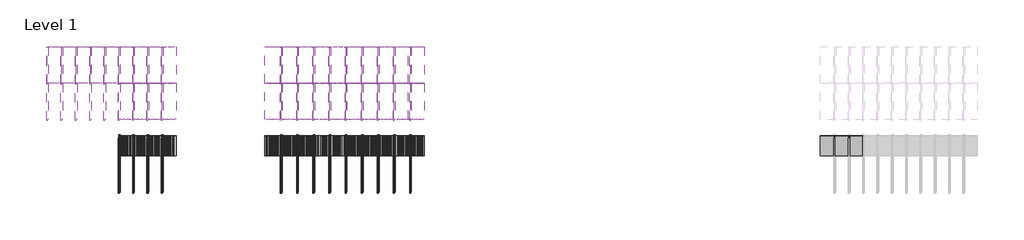
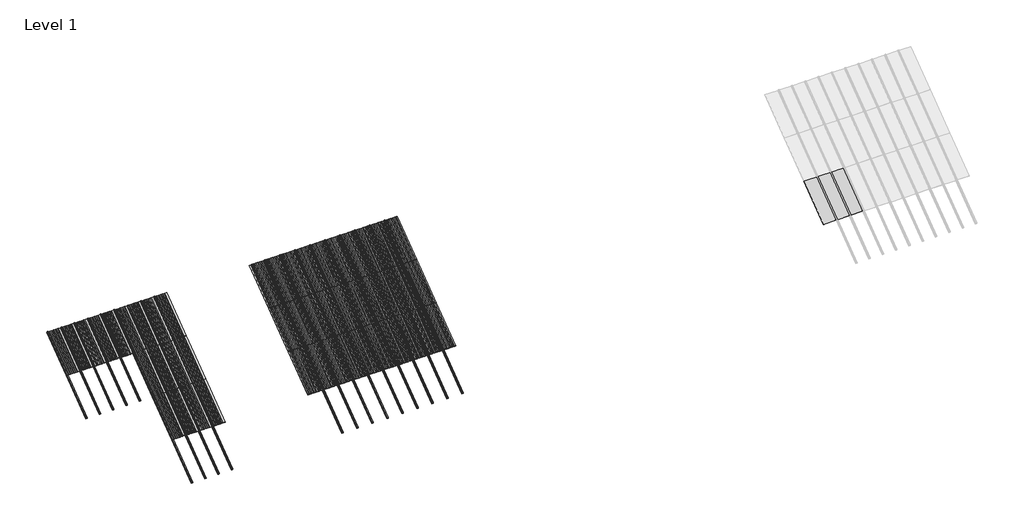
# One storey, part 9 of 12: 62 members, 50 plates.
"""IFC4 building model written with IfcOpenShell, lengths in millimetres."""

import ifcopenshell
import ifcopenshell.guid

model = None  # the IFC model being written
_history = None  # IfcOwnerHistory: only IFC2X3 demands one
_inside = {}  # id of a spatial element -> (the spatial element, [elements in it])
_under = {}  # id of a project, library or spatial element -> (it, [spatial elements below it])
_declared = {}  # id of a project -> (the project, [libraries it declares])
_typed = {}  # id of a type object -> (the type object, [elements of that type])
_made_of = {}  # id of a material, layer set ... -> (it, [elements and type objects made of it])


def new_model(schema):
    """Start an empty IFC model of exactly this schema.

    Asked for "IFC4X3", IfcOpenShell would pick the latest addendum, in which some entities
    have other attributes; the version numbers below select the first issue.
    IFC2X3 requires an IfcOwnerHistory on every rooted entity: one is made here for all.
    """
    global model, _history
    if schema == "IFC4X3":
        model = ifcopenshell.file(schema_version=(4, 3, 0, 0))
    else:
        model = ifcopenshell.file(schema=schema)
    _inside.clear()
    _under.clear()
    _declared.clear()
    _typed.clear()
    _made_of.clear()
    _history = None
    if model.schema == "IFC2X3":
        org = make("IfcOrganization", Name="unknown")
        user = make(
            "IfcPersonAndOrganization",
            ThePerson=make("IfcPerson", FamilyName="unknown"),
            TheOrganization=org,
        )
        app = make(
            "IfcApplication",
            ApplicationDeveloper=org,
            Version="unknown",
            ApplicationFullName="unknown",
            ApplicationIdentifier="unknown",
        )
        _history = make(
            "IfcOwnerHistory",
            OwningUser=user,
            OwningApplication=app,
            ChangeAction="ADDED",
            CreationDate=0,
        )
    return model


def make(cls, **values):
    """One entity of the class cls with the attributes given. An attribute that is None is left unset."""
    return model.create_entity(
        cls, **{name: value for name, value in values.items() if value is not None}
    )


def rooted(cls, **values):
    """An entity with a GlobalId (a new one), such as an element, a storey or a relation."""
    return make(cls, GlobalId=ifcopenshell.guid.new(), OwnerHistory=_history, **values)


def si_unit(unit_type, name, prefix=None):
    """IfcSIUnit, for example si_unit("LENGTHUNIT", "METRE", prefix="MILLI")."""
    return make("IfcSIUnit", UnitType=unit_type, Prefix=prefix, Name=name)


def assignment(units):
    """IfcUnitAssignment: the units of a project."""
    return None if units is None else make("IfcUnitAssignment", Units=units)


def point(xyz):
    """IfcCartesianPoint."""
    return None if xyz is None else make("IfcCartesianPoint", Coordinates=xyz)


def direction(xyz):
    """IfcDirection."""
    return None if xyz is None else make("IfcDirection", DirectionRatios=xyz)


def frame(location, z_axis=None, x_axis=None):
    """IfcAxis2Placement3D, a coordinate frame: its origin and axes. An axis left out is left unset."""
    return make(
        "IfcAxis2Placement3D",
        Location=point(location),
        Axis=direction(z_axis),
        RefDirection=direction(x_axis),
    )


def frame_2d(location, x_axis=None):
    """IfcAxis2Placement2D, a coordinate frame in the plane: its origin and x axis."""
    return make(
        "IfcAxis2Placement2D", Location=point(location), RefDirection=direction(x_axis)
    )


def origin():
    """The frame at (0, 0, 0) with its axes left unset."""
    return frame((0.0, 0.0, 0.0))


def origin_with_axes():
    """The frame at (0, 0, 0) with the z axis (0, 0, 1) and the x axis (1, 0, 0) written out."""
    return frame((0.0, 0.0, 0.0), z_axis=(0.0, 0.0, 1.0), x_axis=(1.0, 0.0, 0.0))


def place(relative_to, where):
    """IfcLocalPlacement: puts the frame where relative to a parent placement (None: the world)."""
    return make(
        "IfcLocalPlacement", PlacementRelTo=relative_to, RelativePlacement=where
    )


def context(
    kind, dimensions, precision=None, world=None, true_north=None, identifier=None
):
    """IfcGeometricRepresentationContext, for example the 3D "Model" context."""
    return make(
        "IfcGeometricRepresentationContext",
        ContextIdentifier=identifier,
        ContextType=kind,
        CoordinateSpaceDimension=dimensions,
        Precision=precision,
        WorldCoordinateSystem=world,
        TrueNorth=true_north,
    )


def project(units=None, contexts=None):
    """IfcProject with its units and contexts."""
    return rooted(
        "IfcProject",
        Name="project",
        RepresentationContexts=contexts,
        UnitsInContext=assignment(units),
    )


def spatial(cls, under=None, at=None, **own):
    """A site, building, storey or space (cls), placed at a placement, below another one or the project."""
    s = rooted(cls, ObjectPlacement=at, **own)
    if under is not None:
        _under.setdefault(under.id(), (under, []))[1].append(s)
    return s


def polyline(points):
    """IfcPolyline through the points."""
    return make("IfcPolyline", Points=[point(p) for p in points])


def circle_curve(where, radius):
    """IfcCircle in the frame where."""
    return make("IfcCircle", Position=where, Radius=radius)


def trimmed(basis, trim1, trim2, sense, master):
    """IfcTrimmedCurve: the piece of a basis curve between two trims."""
    return make(
        "IfcTrimmedCurve",
        BasisCurve=basis,
        Trim1=trim1,
        Trim2=trim2,
        SenseAgreement=sense,
        MasterRepresentation=master,
    )


def segment(curve, same_sense, transition):
    """IfcCompositeCurveSegment."""
    return make(
        "IfcCompositeCurveSegment",
        Transition=transition,
        SameSense=same_sense,
        ParentCurve=curve,
    )


def composite_curve(segments, self_intersect=None):
    """IfcCompositeCurve: segments joined end to end."""
    return make("IfcCompositeCurve", Segments=segments, SelfIntersect=self_intersect)


def outline(outer, holes=None, kind="AREA"):
    """IfcArbitraryClosedProfileDef: a profile drawn as a closed curve; with holes, ...WithVoids."""
    if holes is None:
        return make("IfcArbitraryClosedProfileDef", ProfileType=kind, OuterCurve=outer)
    return make(
        "IfcArbitraryProfileDefWithVoids",
        ProfileType=kind,
        OuterCurve=outer,
        InnerCurves=holes,
    )


def extrude(swept, where, along, depth):
    """IfcExtrudedAreaSolid: the profile swept, set in the frame where, extruded along a direction by depth."""
    return make(
        "IfcExtrudedAreaSolid",
        SweptArea=swept,
        Position=where,
        ExtrudedDirection=direction(along),
        Depth=depth,
    )


def shape(context_of_items, identifier, shape_type, items):
    """IfcShapeRepresentation: the items that make up one representation, for example the "Body"."""
    return make(
        "IfcShapeRepresentation",
        ContextOfItems=context_of_items,
        RepresentationIdentifier=identifier,
        RepresentationType=shape_type,
        Items=items,
    )


def source(mapping_origin, context_of_items, identifier, shape_type, items):
    """IfcRepresentationMap: a shape defined once, which mapped items show again and again."""
    return make(
        "IfcRepresentationMap",
        MappingOrigin=mapping_origin,
        MappedRepresentation=shape(context_of_items, identifier, shape_type, items),
    )


def transform(
    local_origin,
    x_axis=None,
    y_axis=None,
    z_axis=None,
    scale=None,
    scale2=None,
    scale3=None,
    uniform=True,
):
    """IfcCartesianTransformationOperator3D, or its non-uniform kind. x_axis, y_axis, z_axis: its Axis1, 2, 3."""
    if uniform:
        return make(
            "IfcCartesianTransformationOperator3D",
            Axis1=direction(x_axis),
            Axis2=direction(y_axis),
            LocalOrigin=point(local_origin),
            Scale=scale,
            Axis3=direction(z_axis),
        )
    return make(
        "IfcCartesianTransformationOperator3DnonUniform",
        Axis1=direction(x_axis),
        Axis2=direction(y_axis),
        LocalOrigin=point(local_origin),
        Scale=scale,
        Axis3=direction(z_axis),
        Scale2=scale2,
        Scale3=scale3,
    )


def mapped(mapping_source, mapping_target):
    """IfcMappedItem: shows the shape of a source again, moved by a transform."""
    return make(
        "IfcMappedItem", MappingSource=mapping_source, MappingTarget=mapping_target
    )


def made_of(thing, what):
    """Note that an element or type object is made of a material, layer set ...; save() writes the relation."""
    if what is not None:
        _made_of.setdefault(what.id(), (what, []))[1].append(thing)
    return thing


def element(
    cls,
    number,
    at=None,
    inside=None,
    cuts=None,
    type_object=None,
    material=None,
    context=None,
    identifier="Body",
    shape_type=None,
    held_by="IfcProductDefinitionShape",
    body=None,
    shapes=None,
    **own,
):
    """One element of the class cls, such as IfcWall. Its Tag is "e" and its number.

    at: its placement. inside: the storey or other place that contains it. cuts: it is an
    opening in that element (IfcRelVoidsElement). A single representation is given by context,
    identifier, shape_type and body (its items); several are given by shapes. held_by: the class
    of the entity that holds the representations. save() writes the other relations.
    """
    e = rooted(cls, Tag="e%d" % number, ObjectPlacement=at, **own)
    if body is not None:
        shapes = [shape(context, identifier, shape_type, body)]
    if shapes is not None:
        e.Representation = make(held_by, Representations=shapes)
    if inside is not None:
        _inside.setdefault(inside.id(), (inside, []))[1].append(e)
    if cuts is not None:
        rooted(
            "IfcRelVoidsElement", RelatingBuildingElement=cuts, RelatedOpeningElement=e
        )
    if type_object is not None:
        _typed.setdefault(type_object.id(), (type_object, []))[1].append(e)
    return made_of(e, material)


def aggregate(whole, parts):
    """IfcRelAggregates: a whole, such as a stair, and the parts it consists of."""
    return rooted("IfcRelAggregates", RelatingObject=whole, RelatedObjects=parts)


def save(model, path):
    """Write the relations noted so far, then the file.

    IfcRelAggregates (storeys below a building ...), IfcRelContainedInSpatialStructure (elements
    in a storey), IfcRelDefinesByType, IfcRelAssociatesMaterial and IfcRelDeclares: one each for
    every whole, place, type object, material and project.
    """
    for whole, parts in _under.values():
        aggregate(whole, parts)
    for where, things in _inside.values():
        rooted(
            "IfcRelContainedInSpatialStructure",
            RelatedElements=things,
            RelatingStructure=where,
        )
    for kind, things in _typed.values():
        rooted("IfcRelDefinesByType", RelatedObjects=things, RelatingType=kind)
    for what, things in _made_of.values():
        rooted("IfcRelAssociatesMaterial", RelatedObjects=things, RelatingMaterial=what)
    for by, libraries in _declared.values():
        rooted("IfcRelDeclares", RelatingContext=by, RelatedDefinitions=libraries)
    model.write(path)


def rectangular_mullion_c5ffca4b(model_context):
    return source(origin(), model_context, "Body", "SweptSolid", [
        extrude(outline(composite_curve([segment(polyline([(10.16, -50.8), (-10.16, -50.8)]), True, "CONTINUOUS"), segment(trimmed(circle_curve(frame_2d((-10.16, -45.72)), 5.08), [point((-10.16, -50.8))], [point((-15.2363394, -45.9128168))], False, "CARTESIAN"), True, "CONTINUOUS"), segment(trimmed(circle_curve(frame_2d((-10.16, -45.72)), 5.08), [point((-15.2363394, -45.9128168))], [point((-10.16, -40.64))], False, "CARTESIAN"), True, "CONTINUOUS"), segment(polyline([(-10.16, -40.64), (-5.08, -40.64), (-5.08, 10.922)]), True, "CONTINUOUS"), segment(trimmed(circle_curve(frame_2d((0.0, 10.922)), 5.08), [point((-5.08, 10.922))], [point((0.0, 16.002))], False, "CARTESIAN"), True, "CONTINUOUS"), segment(polyline([(0.0, 16.002), (33.02, 16.002)]), True, "CONTINUOUS"), segment(trimmed(circle_curve(frame_2d((33.02, 10.922)), 5.08), [point((33.02, 16.002))], [point((38.1, 10.922))], False, "CARTESIAN"), True, "CONTINUOUS"), segment(polyline([(38.1, 10.922), (38.1, 6.096)]), True, "CONTINUOUS"), segment(trimmed(circle_curve(frame_2d((33.02, 6.096)), 5.08), [point((38.1, 6.096))], [point((33.02, 1.016))], False, "CARTESIAN"), True, "CONTINUOUS"), segment(polyline([(33.02, 1.016), (5.08, 1.016), (5.08, -40.64), (10.16, -40.64)]), True, "CONTINUOUS"), segment(trimmed(circle_curve(frame_2d((10.16, -45.72)), 5.08), [point((10.16, -40.64))], [point((15.2293868, -45.3917964))], False, "CARTESIAN"), True, "CONTINUOUS"), segment(trimmed(circle_curve(frame_2d((10.16, -45.72)), 5.08), [point((15.2293868, -45.3917964))], [point((10.16, -50.8))], False, "CARTESIAN"), True, "CONTINUOUS")], self_intersect=False)), frame((0.0, 0.0, -1285.875), z_axis=(0.0, 0.0, 1.0), x_axis=(1.0, 0.0, 0.0)), (0.0, 0.0, 1.0), 1285.875),
    ])


def plate_0_032_aluminium_893c7c46(model_context):
    return source(origin(), model_context, "Body", "SweptSolid", [
        extrude(outline(polyline([(14.706393, 0.0), (-14.706393, 0.0), (-37.203173, -3.54838), (-66.870787, -3.54838), (-89.367567, 0.0), (-118.780353, 0.0), (-141.277133, -3.54838), (-170.944747, -3.54838), (-193.441527, 0.0), (-228.6, 0.0), (-228.6, 0.8128), (-193.37782, 0.8128), (-170.88104, -2.73558), (-141.34084, -2.73558), (-118.84406, 0.8128), (-89.30386, 0.8128), (-66.80708, -2.73558), (-37.26688, -2.73558), (-14.7701, 0.8128), (14.7701, 0.8128), (37.26688, -2.73558), (66.80708, -2.73558), (89.30386, 0.8128), (118.84406, 0.8128), (141.34084, -2.73558), (170.88104, -2.73558), (193.37782, 0.8128), (228.6, 0.8128), (228.6, 0.0), (193.441527, 0.0), (170.944747, -3.54838), (141.277133, -3.54838), (118.780353, 0.0), (89.367567, 0.0), (66.870787, -3.54838), (37.203173, -3.54838), (14.706393, 0.0)])), origin_with_axes(), (0.0, 0.0, 1.0), 1285.875),
    ])


def plate_0_032_aluminium_cbe3b930(model_context):
    return source(origin(), model_context, "Body", "SweptSolid", [
        extrude(outline(polyline([(-142.9284294, 0.8128), (-120.4316494, -2.73558), (-90.8914494, -2.73558), (-68.3946694, 0.8128), (-38.8544694, 0.8128), (-14.7701, -2.73558), (14.7701, -2.73558), (37.26688, 0.8128), (66.80708, 0.8128), (89.30386, -2.73558), (118.84406, -2.73558), (141.34084, 0.8128), (203.2, 0.8128), (203.2, 0.0), (141.404547, 0.0), (118.907767, -3.54838), (89.240153, -3.54838), (66.743373, 0.0), (37.330587, 0.0), (14.833807, -3.54838), (-14.833807, -3.54838), (-38.9181764, 0.0), (-68.3309624, 0.0), (-90.8277424, -3.54838), (-120.4953564, -3.54838), (-142.9921364, 0.0), (-203.2, 0.0), (-203.2, 0.8128), (-142.9284294, 0.8128)])), origin_with_axes(), (0.0, 0.0, 1.0), 1285.875),
    ])


def system_panel_94d5719f(model_context):
    return source(origin(), model_context, "Body", "SweptSolid", [
        extrude(outline(polyline([(198.1200002, -0.2480469), (-198.1200002, -0.2480469), (-198.1200002, 0.2480469), (198.1200002, 0.2480469), (198.1200002, -0.2480469)])), origin_with_axes(), (0.0, 0.0, 1.0), 1285.875),
    ])


model = new_model("IFC4")

# Units and contexts
model_context = context("Model", 3, world=origin())
ifc_project = project(units=[si_unit("LENGTHUNIT", "METRE", prefix="MILLI")], contexts=[model_context])

# Site, building, storey
site = spatial("IfcSite", under=ifc_project)
building = spatial("IfcBuilding", under=site)
storey = spatial("IfcBuildingStorey", under=building, Name="Level 1", Elevation=0.0)

# Members
placement = place(None, origin())
rectangular_mullion_shape = rectangular_mullion_c5ffca4b(model_context)
element("IfcMember", 1, ObjectType="Rectangular Mullion", at=placement, inside=storey, context=model_context, shape_type="MappedRepresentation", body=[
    mapped(rectangular_mullion_shape, transform((86014.0433491, 35842.6579249, 3086.1), x_axis=(1.0, 0.0, 0.0), y_axis=(0.0, 0.6000000000000016, -0.7999999999999988), z_axis=(0.0, 0.7999999999999988, 0.6000000000000016))),
])
element("IfcMember", 2, ObjectType="Rectangular Mullion", at=placement, inside=storey, context=model_context, shape_type="MappedRepresentation", body=[
    mapped(rectangular_mullion_shape, transform((86420.4433491, 35842.6579249, 3086.1), x_axis=(1.0, 0.0, 0.0), y_axis=(0.0, 0.6000000000000016, -0.7999999999999988), z_axis=(0.0, 0.7999999999999988, 0.6000000000000016))),
])
element("IfcMember", 3, ObjectType="Rectangular Mullion", at=placement, inside=storey, context=model_context, shape_type="MappedRepresentation", body=[
    mapped(rectangular_mullion_shape, transform((86826.8433491, 35842.6579249, 3086.1), x_axis=(1.0, 0.0, 0.0), y_axis=(0.0, 0.6000000000000016, -0.7999999999999988), z_axis=(0.0, 0.7999999999999988, 0.6000000000000016))),
])
element("IfcMember", 4, ObjectType="Rectangular Mullion", at=placement, inside=storey, context=model_context, shape_type="MappedRepresentation", body=[
    mapped(rectangular_mullion_shape, transform((87233.2433491, 35842.6579249, 3086.1), x_axis=(1.0, 0.0, 0.0), y_axis=(0.0, 0.6000000000000016, -0.7999999999999988), z_axis=(0.0, 0.7999999999999988, 0.6000000000000016))),
])
element("IfcMember", 5, ObjectType="Rectangular Mullion", at=placement, inside=storey, context=model_context, shape_type="MappedRepresentation", body=[
    mapped(rectangular_mullion_shape, transform((87639.6433491, 35842.6579249, 3086.1), x_axis=(1.0, 0.0, 0.0), y_axis=(0.0, 0.6000000000000016, -0.7999999999999988), z_axis=(0.0, 0.7999999999999988, 0.6000000000000016))),
])
element("IfcMember", 6, ObjectType="Rectangular Mullion", at=placement, inside=storey, context=model_context, shape_type="MappedRepresentation", body=[
    mapped(rectangular_mullion_shape, transform((88046.0433491, 35842.6579249, 3086.1), x_axis=(1.0, 0.0, 0.0), y_axis=(0.0, 0.6000000000000016, -0.7999999999999988), z_axis=(0.0, 0.7999999999999988, 0.6000000000000016))),
])
element("IfcMember", 7, ObjectType="Rectangular Mullion", at=placement, inside=storey, context=model_context, shape_type="MappedRepresentation", body=[
    mapped(rectangular_mullion_shape, transform((88452.4433491, 35842.6579249, 3086.1), x_axis=(1.0, 0.0, 0.0), y_axis=(0.0, 0.6000000000000016, -0.7999999999999988), z_axis=(0.0, 0.7999999999999988, 0.6000000000000016))),
])
element("IfcMember", 8, ObjectType="Rectangular Mullion", at=placement, inside=storey, context=model_context, shape_type="MappedRepresentation", body=[
    mapped(rectangular_mullion_shape, transform((88858.8433491, 35842.6579249, 3086.1), x_axis=(1.0, 0.0, 0.0), y_axis=(0.0, 0.6000000000000016, -0.7999999999999988), z_axis=(0.0, 0.7999999999999988, 0.6000000000000016))),
])
element("IfcMember", 9, ObjectType="Rectangular Mullion", at=placement, inside=storey, context=model_context, shape_type="MappedRepresentation", body=[
    mapped(rectangular_mullion_shape, transform((89265.2433491, 35842.6579249, 3086.1), x_axis=(1.0, 0.0, 0.0), y_axis=(0.0, 0.6000000000000016, -0.7999999999999988), z_axis=(0.0, 0.7999999999999988, 0.6000000000000016))),
])
element("IfcMember", 10, ObjectType="Rectangular Mullion", at=placement, inside=storey, context=model_context, shape_type="MappedRepresentation", body=[
    mapped(rectangular_mullion_shape, transform((92643.4433491, 35842.6579249, 3086.1), x_axis=(1.0, 0.0, 0.0), y_axis=(0.0, 0.6000000000000016, -0.7999999999999988), z_axis=(0.0, 0.7999999999999988, 0.6000000000000016))),
])
element("IfcMember", 11, ObjectType="Rectangular Mullion", at=placement, inside=storey, context=model_context, shape_type="MappedRepresentation", body=[
    mapped(rectangular_mullion_shape, transform((93100.6433491, 35842.6579249, 3086.1), x_axis=(1.0, 0.0, 0.0), y_axis=(0.0, 0.6000000000000016, -0.7999999999999988), z_axis=(0.0, 0.7999999999999988, 0.6000000000000016))),
])
element("IfcMember", 12, ObjectType="Rectangular Mullion", at=placement, inside=storey, context=model_context, shape_type="MappedRepresentation", body=[
    mapped(rectangular_mullion_shape, transform((93557.8433491, 35842.6579249, 3086.1), x_axis=(1.0, 0.0, 0.0), y_axis=(0.0, 0.6000000000000016, -0.7999999999999988), z_axis=(0.0, 0.7999999999999988, 0.6000000000000016))),
])
element("IfcMember", 13, ObjectType="Rectangular Mullion", at=placement, inside=storey, context=model_context, shape_type="MappedRepresentation", body=[
    mapped(rectangular_mullion_shape, transform((94015.0433491, 35842.6579249, 3086.1), x_axis=(1.0, 0.0, 0.0), y_axis=(0.0, 0.6000000000000016, -0.7999999999999988), z_axis=(0.0, 0.7999999999999988, 0.6000000000000016))),
])
element("IfcMember", 14, ObjectType="Rectangular Mullion", at=placement, inside=storey, context=model_context, shape_type="MappedRepresentation", body=[
    mapped(rectangular_mullion_shape, transform((94472.2433491, 35842.6579249, 3086.1), x_axis=(1.0, 0.0, 0.0), y_axis=(0.0, 0.6000000000000016, -0.7999999999999988), z_axis=(0.0, 0.7999999999999988, 0.6000000000000016))),
])
element("IfcMember", 15, ObjectType="Rectangular Mullion", at=placement, inside=storey, context=model_context, shape_type="MappedRepresentation", body=[
    mapped(rectangular_mullion_shape, transform((94929.4433491, 35842.6579249, 3086.1), x_axis=(1.0, 0.0, 0.0), y_axis=(0.0, 0.6000000000000016, -0.7999999999999988), z_axis=(0.0, 0.7999999999999988, 0.6000000000000016))),
])
element("IfcMember", 16, ObjectType="Rectangular Mullion", at=placement, inside=storey, context=model_context, shape_type="MappedRepresentation", body=[
    mapped(rectangular_mullion_shape, transform((95386.6433491, 35842.6579249, 3086.1), x_axis=(1.0, 0.0, 0.0), y_axis=(0.0, 0.6000000000000016, -0.7999999999999988), z_axis=(0.0, 0.7999999999999988, 0.6000000000000016))),
])
element("IfcMember", 17, ObjectType="Rectangular Mullion", at=placement, inside=storey, context=model_context, shape_type="MappedRepresentation", body=[
    mapped(rectangular_mullion_shape, transform((95843.8433491, 35842.6579249, 3086.1), x_axis=(1.0, 0.0, 0.0), y_axis=(0.0, 0.6000000000000016, -0.7999999999999988), z_axis=(0.0, 0.7999999999999988, 0.6000000000000016))),
])
element("IfcMember", 18, ObjectType="Rectangular Mullion", at=placement, inside=storey, context=model_context, shape_type="MappedRepresentation", body=[
    mapped(rectangular_mullion_shape, transform((96301.0433491, 35842.6579249, 3086.1), x_axis=(1.0, 0.0, 0.0), y_axis=(0.0, 0.6000000000000016, -0.7999999999999988), z_axis=(0.0, 0.7999999999999988, 0.6000000000000016))),
])
element("IfcMember", 19, ObjectType="Rectangular Mullion", at=placement, inside=storey, context=model_context, shape_type="MappedRepresentation", body=[
    mapped(rectangular_mullion_shape, transform((88046.0433491, 32756.5579249, 771.525), x_axis=(1.0, 0.0, 0.0), y_axis=(0.0, 0.6000000000000012, -0.7999999999999992), z_axis=(0.0, 0.7999999999999989, 0.6000000000000011))),
])
element("IfcMember", 20, ObjectType="Rectangular Mullion", at=placement, inside=storey, context=model_context, shape_type="MappedRepresentation", body=[
    mapped(rectangular_mullion_shape, transform((88452.4433491, 32756.5579249, 771.525), x_axis=(1.0, 0.0, 0.0), y_axis=(0.0, 0.6000000000000012, -0.7999999999999992), z_axis=(0.0, 0.7999999999999989, 0.6000000000000011))),
])
element("IfcMember", 21, ObjectType="Rectangular Mullion", at=placement, inside=storey, context=model_context, shape_type="MappedRepresentation", body=[
    mapped(rectangular_mullion_shape, transform((88858.8433491, 32756.5579249, 771.525), x_axis=(1.0, 0.0, 0.0), y_axis=(0.0, 0.6000000000000012, -0.7999999999999992), z_axis=(0.0, 0.7999999999999989, 0.6000000000000011))),
])
element("IfcMember", 22, ObjectType="Rectangular Mullion", at=placement, inside=storey, context=model_context, shape_type="MappedRepresentation", body=[
    mapped(rectangular_mullion_shape, transform((89265.2433491, 32756.5579249, 771.525), x_axis=(1.0, 0.0, 0.0), y_axis=(0.0, 0.6000000000000012, -0.7999999999999992), z_axis=(0.0, 0.7999999999999989, 0.6000000000000011))),
])
element("IfcMember", 23, ObjectType="Rectangular Mullion", at=placement, inside=storey, context=model_context, shape_type="MappedRepresentation", body=[
    mapped(rectangular_mullion_shape, transform((92643.4433491, 32756.5579249, 771.525), x_axis=(1.0, 0.0, 0.0), y_axis=(0.0, 0.6000000000000012, -0.7999999999999992), z_axis=(0.0, 0.7999999999999989, 0.6000000000000011))),
])
element("IfcMember", 24, ObjectType="Rectangular Mullion", at=placement, inside=storey, context=model_context, shape_type="MappedRepresentation", body=[
    mapped(rectangular_mullion_shape, transform((93100.6433491, 32756.5579249, 771.525), x_axis=(1.0, 0.0, 0.0), y_axis=(0.0, 0.6000000000000012, -0.7999999999999992), z_axis=(0.0, 0.7999999999999989, 0.6000000000000011))),
])
element("IfcMember", 25, ObjectType="Rectangular Mullion", at=placement, inside=storey, context=model_context, shape_type="MappedRepresentation", body=[
    mapped(rectangular_mullion_shape, transform((93557.8433491, 32756.5579249, 771.525), x_axis=(1.0, 0.0, 0.0), y_axis=(0.0, 0.6000000000000012, -0.7999999999999992), z_axis=(0.0, 0.7999999999999989, 0.6000000000000011))),
])
element("IfcMember", 26, ObjectType="Rectangular Mullion", at=placement, inside=storey, context=model_context, shape_type="MappedRepresentation", body=[
    mapped(rectangular_mullion_shape, transform((94015.0433491, 32756.5579249, 771.525), x_axis=(1.0, 0.0, 0.0), y_axis=(0.0, 0.6000000000000012, -0.7999999999999992), z_axis=(0.0, 0.7999999999999989, 0.6000000000000011))),
])
element("IfcMember", 27, ObjectType="Rectangular Mullion", at=placement, inside=storey, context=model_context, shape_type="MappedRepresentation", body=[
    mapped(rectangular_mullion_shape, transform((94472.2433491, 32756.5579249, 771.525), x_axis=(1.0, 0.0, 0.0), y_axis=(0.0, 0.6000000000000012, -0.7999999999999992), z_axis=(0.0, 0.7999999999999989, 0.6000000000000011))),
])
element("IfcMember", 28, ObjectType="Rectangular Mullion", at=placement, inside=storey, context=model_context, shape_type="MappedRepresentation", body=[
    mapped(rectangular_mullion_shape, transform((94929.4433491, 32756.5579249, 771.525), x_axis=(1.0, 0.0, 0.0), y_axis=(0.0, 0.6000000000000012, -0.7999999999999992), z_axis=(0.0, 0.7999999999999989, 0.6000000000000011))),
])
element("IfcMember", 29, ObjectType="Rectangular Mullion", at=placement, inside=storey, context=model_context, shape_type="MappedRepresentation", body=[
    mapped(rectangular_mullion_shape, transform((95386.6433491, 32756.5579249, 771.525), x_axis=(1.0, 0.0, 0.0), y_axis=(0.0, 0.6000000000000012, -0.7999999999999992), z_axis=(0.0, 0.7999999999999989, 0.6000000000000011))),
])
element("IfcMember", 30, ObjectType="Rectangular Mullion", at=placement, inside=storey, context=model_context, shape_type="MappedRepresentation", body=[
    mapped(rectangular_mullion_shape, transform((95843.8433491, 32756.5579249, 771.525), x_axis=(1.0, 0.0, 0.0), y_axis=(0.0, 0.6000000000000012, -0.7999999999999992), z_axis=(0.0, 0.7999999999999989, 0.6000000000000011))),
])
element("IfcMember", 31, ObjectType="Rectangular Mullion", at=placement, inside=storey, context=model_context, shape_type="MappedRepresentation", body=[
    mapped(rectangular_mullion_shape, transform((96301.0433491, 32756.5579249, 771.525), x_axis=(1.0, 0.0, 0.0), y_axis=(0.0, 0.6000000000000012, -0.7999999999999992), z_axis=(0.0, 0.7999999999999989, 0.6000000000000011))),
])
element("IfcMember", 32, ObjectType="Rectangular Mullion", at=placement, inside=storey, context=model_context, shape_type="MappedRepresentation", body=[
    mapped(rectangular_mullion_shape, transform((86014.0433491, 34813.9579249, 2314.575), x_axis=(1.0, 0.0, 0.0), y_axis=(0.0, 0.6000000000000011, -0.7999999999999992), z_axis=(0.0, 0.7999999999999992, 0.6000000000000011))),
])
element("IfcMember", 33, ObjectType="Rectangular Mullion", at=placement, inside=storey, context=model_context, shape_type="MappedRepresentation", body=[
    mapped(rectangular_mullion_shape, transform((88046.0433491, 33785.2579249, 1543.05), x_axis=(1.0, 0.0, 0.0), y_axis=(0.0, 0.6000000000000018, -0.7999999999999987), z_axis=(0.0, 0.7999999999999986, 0.6000000000000016))),
])
element("IfcMember", 34, ObjectType="Rectangular Mullion", at=placement, inside=storey, context=model_context, shape_type="MappedRepresentation", body=[
    mapped(rectangular_mullion_shape, transform((88452.4433491, 33785.2579249, 1543.05), x_axis=(1.0, 0.0, 0.0), y_axis=(0.0, 0.6000000000000018, -0.7999999999999987), z_axis=(0.0, 0.7999999999999986, 0.6000000000000016))),
])
element("IfcMember", 35, ObjectType="Rectangular Mullion", at=placement, inside=storey, context=model_context, shape_type="MappedRepresentation", body=[
    mapped(rectangular_mullion_shape, transform((88858.8433491, 33785.2579249, 1543.05), x_axis=(1.0, 0.0, 0.0), y_axis=(0.0, 0.6000000000000018, -0.7999999999999987), z_axis=(0.0, 0.7999999999999986, 0.6000000000000016))),
])
element("IfcMember", 36, ObjectType="Rectangular Mullion", at=placement, inside=storey, context=model_context, shape_type="MappedRepresentation", body=[
    mapped(rectangular_mullion_shape, transform((89265.2433491, 33785.2579249, 1543.05), x_axis=(1.0, 0.0, 0.0), y_axis=(0.0, 0.6000000000000018, -0.7999999999999987), z_axis=(0.0, 0.7999999999999986, 0.6000000000000016))),
])
element("IfcMember", 37, ObjectType="Rectangular Mullion", at=placement, inside=storey, context=model_context, shape_type="MappedRepresentation", body=[
    mapped(rectangular_mullion_shape, transform((86420.4433491, 34813.9579249, 2314.575), x_axis=(1.0, 0.0, 0.0), y_axis=(0.0, 0.6000000000000011, -0.7999999999999992), z_axis=(0.0, 0.7999999999999992, 0.6000000000000011))),
])
element("IfcMember", 38, ObjectType="Rectangular Mullion", at=placement, inside=storey, context=model_context, shape_type="MappedRepresentation", body=[
    mapped(rectangular_mullion_shape, transform((86826.8433491, 34813.9579249, 2314.575), x_axis=(1.0, 0.0, 0.0), y_axis=(0.0, 0.6000000000000011, -0.7999999999999992), z_axis=(0.0, 0.7999999999999992, 0.6000000000000011))),
])
element("IfcMember", 39, ObjectType="Rectangular Mullion", at=placement, inside=storey, context=model_context, shape_type="MappedRepresentation", body=[
    mapped(rectangular_mullion_shape, transform((87233.2433491, 34813.9579249, 2314.575), x_axis=(1.0, 0.0, 0.0), y_axis=(0.0, 0.6000000000000011, -0.7999999999999992), z_axis=(0.0, 0.7999999999999992, 0.6000000000000011))),
])
element("IfcMember", 40, ObjectType="Rectangular Mullion", at=placement, inside=storey, context=model_context, shape_type="MappedRepresentation", body=[
    mapped(rectangular_mullion_shape, transform((87639.6433491, 34813.9579249, 2314.575), x_axis=(1.0, 0.0, 0.0), y_axis=(0.0, 0.6000000000000011, -0.7999999999999992), z_axis=(0.0, 0.7999999999999992, 0.6000000000000011))),
])
element("IfcMember", 41, ObjectType="Rectangular Mullion", at=placement, inside=storey, context=model_context, shape_type="MappedRepresentation", body=[
    mapped(rectangular_mullion_shape, transform((88046.0433491, 34813.9579249, 2314.575), x_axis=(1.0, 0.0, 0.0), y_axis=(0.0, 0.6000000000000011, -0.7999999999999992), z_axis=(0.0, 0.7999999999999992, 0.6000000000000011))),
])
element("IfcMember", 42, ObjectType="Rectangular Mullion", at=placement, inside=storey, context=model_context, shape_type="MappedRepresentation", body=[
    mapped(rectangular_mullion_shape, transform((88452.4433491, 34813.9579249, 2314.575), x_axis=(1.0, 0.0, 0.0), y_axis=(0.0, 0.6000000000000011, -0.7999999999999992), z_axis=(0.0, 0.7999999999999992, 0.6000000000000011))),
])
element("IfcMember", 43, ObjectType="Rectangular Mullion", at=placement, inside=storey, context=model_context, shape_type="MappedRepresentation", body=[
    mapped(rectangular_mullion_shape, transform((88858.8433491, 34813.9579249, 2314.575), x_axis=(1.0, 0.0, 0.0), y_axis=(0.0, 0.6000000000000011, -0.7999999999999992), z_axis=(0.0, 0.7999999999999992, 0.6000000000000011))),
])
element("IfcMember", 44, ObjectType="Rectangular Mullion", at=placement, inside=storey, context=model_context, shape_type="MappedRepresentation", body=[
    mapped(rectangular_mullion_shape, transform((89265.2433491, 34813.9579249, 2314.575), x_axis=(1.0, 0.0, 0.0), y_axis=(0.0, 0.6000000000000011, -0.7999999999999992), z_axis=(0.0, 0.7999999999999992, 0.6000000000000011))),
])
element("IfcMember", 45, ObjectType="Rectangular Mullion", at=placement, inside=storey, context=model_context, shape_type="MappedRepresentation", body=[
    mapped(rectangular_mullion_shape, transform((92643.4433491, 33785.2579249, 1543.05), x_axis=(1.0, 0.0, 0.0), y_axis=(0.0, 0.6000000000000018, -0.7999999999999987), z_axis=(0.0, 0.7999999999999986, 0.6000000000000016))),
])
element("IfcMember", 46, ObjectType="Rectangular Mullion", at=placement, inside=storey, context=model_context, shape_type="MappedRepresentation", body=[
    mapped(rectangular_mullion_shape, transform((93100.6433491, 33785.2579249, 1543.05), x_axis=(1.0, 0.0, 0.0), y_axis=(0.0, 0.6000000000000018, -0.7999999999999987), z_axis=(0.0, 0.7999999999999986, 0.6000000000000016))),
])
element("IfcMember", 47, ObjectType="Rectangular Mullion", at=placement, inside=storey, context=model_context, shape_type="MappedRepresentation", body=[
    mapped(rectangular_mullion_shape, transform((92643.4433491, 34813.9579249, 2314.575), x_axis=(1.0, 0.0, 0.0), y_axis=(0.0, 0.6000000000000011, -0.7999999999999992), z_axis=(0.0, 0.7999999999999992, 0.6000000000000011))),
])
element("IfcMember", 48, ObjectType="Rectangular Mullion", at=placement, inside=storey, context=model_context, shape_type="MappedRepresentation", body=[
    mapped(rectangular_mullion_shape, transform((93100.6433491, 34813.9579249, 2314.575), x_axis=(1.0, 0.0, 0.0), y_axis=(0.0, 0.6000000000000011, -0.7999999999999992), z_axis=(0.0, 0.7999999999999992, 0.6000000000000011))),
])
element("IfcMember", 49, ObjectType="Rectangular Mullion", at=placement, inside=storey, context=model_context, shape_type="MappedRepresentation", body=[
    mapped(rectangular_mullion_shape, transform((93557.8433491, 33785.2579249, 1543.05), x_axis=(1.0, 0.0, 0.0), y_axis=(0.0, 0.6000000000000018, -0.7999999999999987), z_axis=(0.0, 0.7999999999999986, 0.6000000000000016))),
])
element("IfcMember", 50, ObjectType="Rectangular Mullion", at=placement, inside=storey, context=model_context, shape_type="MappedRepresentation", body=[
    mapped(rectangular_mullion_shape, transform((94015.0433491, 33785.2579249, 1543.05), x_axis=(1.0, 0.0, 0.0), y_axis=(0.0, 0.6000000000000018, -0.7999999999999987), z_axis=(0.0, 0.7999999999999986, 0.6000000000000016))),
])
element("IfcMember", 51, ObjectType="Rectangular Mullion", at=placement, inside=storey, context=model_context, shape_type="MappedRepresentation", body=[
    mapped(rectangular_mullion_shape, transform((94472.2433491, 33785.2579249, 1543.05), x_axis=(1.0, 0.0, 0.0), y_axis=(0.0, 0.6000000000000018, -0.7999999999999987), z_axis=(0.0, 0.7999999999999986, 0.6000000000000016))),
])
element("IfcMember", 52, ObjectType="Rectangular Mullion", at=placement, inside=storey, context=model_context, shape_type="MappedRepresentation", body=[
    mapped(rectangular_mullion_shape, transform((94929.4433491, 33785.2579249, 1543.05), x_axis=(1.0, 0.0, 0.0), y_axis=(0.0, 0.6000000000000018, -0.7999999999999987), z_axis=(0.0, 0.7999999999999986, 0.6000000000000016))),
])
element("IfcMember", 53, ObjectType="Rectangular Mullion", at=placement, inside=storey, context=model_context, shape_type="MappedRepresentation", body=[
    mapped(rectangular_mullion_shape, transform((95386.6433491, 33785.2579249, 1543.05), x_axis=(1.0, 0.0, 0.0), y_axis=(0.0, 0.6000000000000018, -0.7999999999999987), z_axis=(0.0, 0.7999999999999986, 0.6000000000000016))),
])
element("IfcMember", 54, ObjectType="Rectangular Mullion", at=placement, inside=storey, context=model_context, shape_type="MappedRepresentation", body=[
    mapped(rectangular_mullion_shape, transform((95843.8433491, 33785.2579249, 1543.05), x_axis=(1.0, 0.0, 0.0), y_axis=(0.0, 0.6000000000000018, -0.7999999999999987), z_axis=(0.0, 0.7999999999999986, 0.6000000000000016))),
])
element("IfcMember", 55, ObjectType="Rectangular Mullion", at=placement, inside=storey, context=model_context, shape_type="MappedRepresentation", body=[
    mapped(rectangular_mullion_shape, transform((96301.0433491, 33785.2579249, 1543.05), x_axis=(1.0, 0.0, 0.0), y_axis=(0.0, 0.6000000000000018, -0.7999999999999987), z_axis=(0.0, 0.7999999999999986, 0.6000000000000016))),
])
element("IfcMember", 56, ObjectType="Rectangular Mullion", at=placement, inside=storey, context=model_context, shape_type="MappedRepresentation", body=[
    mapped(rectangular_mullion_shape, transform((93557.8433491, 34813.9579249, 2314.575), x_axis=(1.0, 0.0, 0.0), y_axis=(0.0, 0.6000000000000011, -0.7999999999999992), z_axis=(0.0, 0.7999999999999992, 0.6000000000000011))),
])
element("IfcMember", 57, ObjectType="Rectangular Mullion", at=placement, inside=storey, context=model_context, shape_type="MappedRepresentation", body=[
    mapped(rectangular_mullion_shape, transform((94015.0433491, 34813.9579249, 2314.575), x_axis=(1.0, 0.0, 0.0), y_axis=(0.0, 0.6000000000000011, -0.7999999999999992), z_axis=(0.0, 0.7999999999999992, 0.6000000000000011))),
])
element("IfcMember", 58, ObjectType="Rectangular Mullion", at=placement, inside=storey, context=model_context, shape_type="MappedRepresentation", body=[
    mapped(rectangular_mullion_shape, transform((94472.2433491, 34813.9579249, 2314.575), x_axis=(1.0, 0.0, 0.0), y_axis=(0.0, 0.6000000000000011, -0.7999999999999992), z_axis=(0.0, 0.7999999999999992, 0.6000000000000011))),
])
element("IfcMember", 59, ObjectType="Rectangular Mullion", at=placement, inside=storey, context=model_context, shape_type="MappedRepresentation", body=[
    mapped(rectangular_mullion_shape, transform((94929.4433491, 34813.9579249, 2314.575), x_axis=(1.0, 0.0, 0.0), y_axis=(0.0, 0.6000000000000011, -0.7999999999999992), z_axis=(0.0, 0.7999999999999992, 0.6000000000000011))),
])
element("IfcMember", 60, ObjectType="Rectangular Mullion", at=placement, inside=storey, context=model_context, shape_type="MappedRepresentation", body=[
    mapped(rectangular_mullion_shape, transform((95386.6433491, 34813.9579249, 2314.575), x_axis=(1.0, 0.0, 0.0), y_axis=(0.0, 0.6000000000000011, -0.7999999999999992), z_axis=(0.0, 0.7999999999999992, 0.6000000000000011))),
])
element("IfcMember", 61, ObjectType="Rectangular Mullion", at=placement, inside=storey, context=model_context, shape_type="MappedRepresentation", body=[
    mapped(rectangular_mullion_shape, transform((95843.8433491, 34813.9579249, 2314.575), x_axis=(1.0, 0.0, 0.0), y_axis=(0.0, 0.6000000000000011, -0.7999999999999992), z_axis=(0.0, 0.7999999999999992, 0.6000000000000011))),
])
element("IfcMember", 62, ObjectType="Rectangular Mullion", at=placement, inside=storey, context=model_context, shape_type="MappedRepresentation", body=[
    mapped(rectangular_mullion_shape, transform((96301.0433491, 34813.9579249, 2314.575), x_axis=(1.0, 0.0, 0.0), y_axis=(0.0, 0.6000000000000011, -0.7999999999999992), z_axis=(0.0, 0.7999999999999992, 0.6000000000000011))),
])

# Plates
plate_0_032_aluminium_shape = plate_0_032_aluminium_893c7c46(model_context)
element("IfcPlate", 63, ObjectType="22 Ga. Steel", at=placement, inside=storey, context=model_context, shape_type="MappedRepresentation", body=[
    mapped(plate_0_032_aluminium_shape, transform((92414.843349, 32756.5579249, 771.525), x_axis=(1.0, 0.0, 0.0), y_axis=(0.0, 0.6000000000000014, -0.799999999999999), z_axis=(0.0, 0.799999999999999, 0.6000000000000014))),
])
element("IfcPlate", 64, ObjectType="22 Ga. Steel", at=placement, inside=storey, context=model_context, shape_type="MappedRepresentation", body=[
    mapped(plate_0_032_aluminium_shape, transform((92872.0433491, 32756.5579249, 771.525), x_axis=(1.0, 0.0, 0.0), y_axis=(0.0, 0.6000000000000014, -0.799999999999999), z_axis=(0.0, 0.799999999999999, 0.6000000000000014))),
])
element("IfcPlate", 65, ObjectType="22 Ga. Steel", at=placement, inside=storey, context=model_context, shape_type="MappedRepresentation", body=[
    mapped(plate_0_032_aluminium_shape, transform((93329.2433491, 32756.5579249, 771.525), x_axis=(1.0, 0.0, 0.0), y_axis=(0.0, 0.6000000000000014, -0.799999999999999), z_axis=(0.0, 0.799999999999999, 0.6000000000000014))),
])
element("IfcPlate", 66, ObjectType="22 Ga. Steel", at=placement, inside=storey, context=model_context, shape_type="MappedRepresentation", body=[
    mapped(plate_0_032_aluminium_shape, transform((92414.843349, 33785.2579249, 1543.05), x_axis=(1.0, 0.0, 0.0), y_axis=(0.0, 0.6000000000000014, -0.799999999999999), z_axis=(0.0, 0.799999999999999, 0.6000000000000014))),
])
element("IfcPlate", 67, ObjectType="22 Ga. Steel", at=placement, inside=storey, context=model_context, shape_type="MappedRepresentation", body=[
    mapped(plate_0_032_aluminium_shape, transform((92872.0433491, 33785.2579249, 1543.05), x_axis=(1.0, 0.0, 0.0), y_axis=(0.0, 0.6000000000000014, -0.799999999999999), z_axis=(0.0, 0.799999999999999, 0.6000000000000014))),
])
element("IfcPlate", 68, ObjectType="22 Ga. Steel", at=placement, inside=storey, context=model_context, shape_type="MappedRepresentation", body=[
    mapped(plate_0_032_aluminium_shape, transform((93329.2433491, 33785.2579249, 1543.05), x_axis=(1.0, 0.0, 0.0), y_axis=(0.0, 0.6000000000000014, -0.799999999999999), z_axis=(0.0, 0.799999999999999, 0.6000000000000014))),
])
element("IfcPlate", 69, ObjectType="22 Ga. Steel", at=placement, inside=storey, context=model_context, shape_type="MappedRepresentation", body=[
    mapped(plate_0_032_aluminium_shape, transform((92414.843349, 34813.9579249, 2314.575), x_axis=(1.0, 0.0, 0.0), y_axis=(0.0, 0.6000000000000014, -0.799999999999999), z_axis=(0.0, 0.799999999999999, 0.6000000000000014))),
])
element("IfcPlate", 70, ObjectType="22 Ga. Steel", at=placement, inside=storey, context=model_context, shape_type="MappedRepresentation", body=[
    mapped(plate_0_032_aluminium_shape, transform((92872.0433491, 34813.9579249, 2314.575), x_axis=(1.0, 0.0, 0.0), y_axis=(0.0, 0.6000000000000014, -0.799999999999999), z_axis=(0.0, 0.799999999999999, 0.6000000000000014))),
])
element("IfcPlate", 71, ObjectType="22 Ga. Steel", at=placement, inside=storey, context=model_context, shape_type="MappedRepresentation", body=[
    mapped(plate_0_032_aluminium_shape, transform((93329.2433491, 34813.9579249, 2314.575), x_axis=(1.0, 0.0, 0.0), y_axis=(0.0, 0.6000000000000014, -0.799999999999999), z_axis=(0.0, 0.799999999999999, 0.6000000000000014))),
])
element("IfcPlate", 72, ObjectType="22 Ga. Steel", at=placement, inside=storey, context=model_context, shape_type="MappedRepresentation", body=[
    mapped(plate_0_032_aluminium_shape, transform((93786.4433491, 32756.5579249, 771.525), x_axis=(1.0, 0.0, 0.0), y_axis=(0.0, 0.6000000000000014, -0.799999999999999), z_axis=(0.0, 0.799999999999999, 0.6000000000000014))),
])
element("IfcPlate", 73, ObjectType="22 Ga. Steel", at=placement, inside=storey, context=model_context, shape_type="MappedRepresentation", body=[
    mapped(plate_0_032_aluminium_shape, transform((93786.4433491, 33785.2579249, 1543.05), x_axis=(1.0, 0.0, 0.0), y_axis=(0.0, 0.6000000000000014, -0.799999999999999), z_axis=(0.0, 0.799999999999999, 0.6000000000000014))),
])
element("IfcPlate", 74, ObjectType="22 Ga. Steel", at=placement, inside=storey, context=model_context, shape_type="MappedRepresentation", body=[
    mapped(plate_0_032_aluminium_shape, transform((93786.4433491, 34813.9579249, 2314.575), x_axis=(1.0, 0.0, 0.0), y_axis=(0.0, 0.6000000000000014, -0.799999999999999), z_axis=(0.0, 0.799999999999999, 0.6000000000000014))),
])
element("IfcPlate", 75, ObjectType="22 Ga. Steel", at=placement, inside=storey, context=model_context, shape_type="MappedRepresentation", body=[
    mapped(plate_0_032_aluminium_shape, transform((94243.6433491, 32756.5579249, 771.525), x_axis=(1.0, 0.0, 0.0), y_axis=(0.0, 0.6000000000000014, -0.799999999999999), z_axis=(0.0, 0.799999999999999, 0.6000000000000014))),
])
element("IfcPlate", 76, ObjectType="22 Ga. Steel", at=placement, inside=storey, context=model_context, shape_type="MappedRepresentation", body=[
    mapped(plate_0_032_aluminium_shape, transform((94243.6433491, 33785.2579249, 1543.05), x_axis=(1.0, 0.0, 0.0), y_axis=(0.0, 0.6000000000000014, -0.799999999999999), z_axis=(0.0, 0.799999999999999, 0.6000000000000014))),
])
element("IfcPlate", 77, ObjectType="22 Ga. Steel", at=placement, inside=storey, context=model_context, shape_type="MappedRepresentation", body=[
    mapped(plate_0_032_aluminium_shape, transform((94243.6433491, 34813.9579249, 2314.575), x_axis=(1.0, 0.0, 0.0), y_axis=(0.0, 0.6000000000000014, -0.799999999999999), z_axis=(0.0, 0.799999999999999, 0.6000000000000014))),
])
element("IfcPlate", 78, ObjectType="22 Ga. Steel", at=placement, inside=storey, context=model_context, shape_type="MappedRepresentation", body=[
    mapped(plate_0_032_aluminium_shape, transform((94700.8433491, 32756.5579249, 771.525), x_axis=(1.0, 0.0, 0.0), y_axis=(0.0, 0.6000000000000014, -0.799999999999999), z_axis=(0.0, 0.799999999999999, 0.6000000000000014))),
])
element("IfcPlate", 79, ObjectType="22 Ga. Steel", at=placement, inside=storey, context=model_context, shape_type="MappedRepresentation", body=[
    mapped(plate_0_032_aluminium_shape, transform((94700.8433491, 33785.2579249, 1543.05), x_axis=(1.0, 0.0, 0.0), y_axis=(0.0, 0.6000000000000014, -0.799999999999999), z_axis=(0.0, 0.799999999999999, 0.6000000000000014))),
])
element("IfcPlate", 80, ObjectType="22 Ga. Steel", at=placement, inside=storey, context=model_context, shape_type="MappedRepresentation", body=[
    mapped(plate_0_032_aluminium_shape, transform((94700.8433491, 34813.9579249, 2314.575), x_axis=(1.0, 0.0, 0.0), y_axis=(0.0, 0.6000000000000014, -0.799999999999999), z_axis=(0.0, 0.799999999999999, 0.6000000000000014))),
])
element("IfcPlate", 81, ObjectType="22 Ga. Steel", at=placement, inside=storey, context=model_context, shape_type="MappedRepresentation", body=[
    mapped(plate_0_032_aluminium_shape, transform((95158.0433491, 32756.5579249, 771.525), x_axis=(1.0, 0.0, 0.0), y_axis=(0.0, 0.6000000000000014, -0.799999999999999), z_axis=(0.0, 0.799999999999999, 0.6000000000000014))),
])
element("IfcPlate", 82, ObjectType="22 Ga. Steel", at=placement, inside=storey, context=model_context, shape_type="MappedRepresentation", body=[
    mapped(plate_0_032_aluminium_shape, transform((95158.0433491, 33785.2579249, 1543.05), x_axis=(1.0, 0.0, 0.0), y_axis=(0.0, 0.6000000000000014, -0.799999999999999), z_axis=(0.0, 0.799999999999999, 0.6000000000000014))),
])
element("IfcPlate", 83, ObjectType="22 Ga. Steel", at=placement, inside=storey, context=model_context, shape_type="MappedRepresentation", body=[
    mapped(plate_0_032_aluminium_shape, transform((95158.0433491, 34813.9579249, 2314.575), x_axis=(1.0, 0.0, 0.0), y_axis=(0.0, 0.6000000000000014, -0.799999999999999), z_axis=(0.0, 0.799999999999999, 0.6000000000000014))),
])
element("IfcPlate", 84, ObjectType="22 Ga. Steel", at=placement, inside=storey, context=model_context, shape_type="MappedRepresentation", body=[
    mapped(plate_0_032_aluminium_shape, transform((95615.2433491, 32756.5579249, 771.525), x_axis=(1.0, 0.0, 0.0), y_axis=(0.0, 0.6000000000000014, -0.799999999999999), z_axis=(0.0, 0.799999999999999, 0.6000000000000014))),
])
element("IfcPlate", 85, ObjectType="22 Ga. Steel", at=placement, inside=storey, context=model_context, shape_type="MappedRepresentation", body=[
    mapped(plate_0_032_aluminium_shape, transform((95615.2433491, 33785.2579249, 1543.05), x_axis=(1.0, 0.0, 0.0), y_axis=(0.0, 0.6000000000000014, -0.799999999999999), z_axis=(0.0, 0.799999999999999, 0.6000000000000014))),
])
element("IfcPlate", 86, ObjectType="22 Ga. Steel", at=placement, inside=storey, context=model_context, shape_type="MappedRepresentation", body=[
    mapped(plate_0_032_aluminium_shape, transform((95615.2433491, 34813.9579249, 2314.575), x_axis=(1.0, 0.0, 0.0), y_axis=(0.0, 0.6000000000000014, -0.799999999999999), z_axis=(0.0, 0.799999999999999, 0.6000000000000014))),
])
element("IfcPlate", 87, ObjectType="22 Ga. Steel", at=placement, inside=storey, context=model_context, shape_type="MappedRepresentation", body=[
    mapped(plate_0_032_aluminium_shape, transform((96072.4433491, 32756.5579249, 771.525), x_axis=(1.0, 0.0, 0.0), y_axis=(0.0, 0.6000000000000014, -0.799999999999999), z_axis=(0.0, 0.799999999999999, 0.6000000000000014))),
])
element("IfcPlate", 88, ObjectType="22 Ga. Steel", at=placement, inside=storey, context=model_context, shape_type="MappedRepresentation", body=[
    mapped(plate_0_032_aluminium_shape, transform((96072.4433491, 33785.2579249, 1543.05), x_axis=(1.0, 0.0, 0.0), y_axis=(0.0, 0.6000000000000014, -0.799999999999999), z_axis=(0.0, 0.799999999999999, 0.6000000000000014))),
])
element("IfcPlate", 89, ObjectType="22 Ga. Steel", at=placement, inside=storey, context=model_context, shape_type="MappedRepresentation", body=[
    mapped(plate_0_032_aluminium_shape, transform((96072.4433491, 34813.9579249, 2314.575), x_axis=(1.0, 0.0, 0.0), y_axis=(0.0, 0.6000000000000014, -0.799999999999999), z_axis=(0.0, 0.799999999999999, 0.6000000000000014))),
])
element("IfcPlate", 90, ObjectType="22 Ga. Steel", at=placement, inside=storey, context=model_context, shape_type="MappedRepresentation", body=[
    mapped(plate_0_032_aluminium_shape, transform((96476.3033491, 32756.5579249, 771.525), x_axis=(1.0, 0.0, 0.0), y_axis=(0.0, 0.6000000000000014, -0.799999999999999), z_axis=(0.0, 0.799999999999999, 0.6000000000000014))),
])
element("IfcPlate", 91, ObjectType="22 Ga. Steel", at=placement, inside=storey, context=model_context, shape_type="MappedRepresentation", body=[
    mapped(plate_0_032_aluminium_shape, transform((96476.3033491, 33785.2579249, 1543.05), x_axis=(1.0, 0.0, 0.0), y_axis=(0.0, 0.6000000000000014, -0.799999999999999), z_axis=(0.0, 0.799999999999999, 0.6000000000000014))),
])
element("IfcPlate", 92, ObjectType="22 Ga. Steel", at=placement, inside=storey, context=model_context, shape_type="MappedRepresentation", body=[
    mapped(plate_0_032_aluminium_shape, transform((96476.3033491, 34813.9579249, 2314.575), x_axis=(1.0, 0.0, 0.0), y_axis=(0.0, 0.6000000000000014, -0.799999999999999), z_axis=(0.0, 0.799999999999999, 0.6000000000000014))),
])
plate_0_032_aluminium_2_shape = plate_0_032_aluminium_cbe3b930(model_context)
element("IfcPlate", 93, ObjectType="22 Ga. Steel", at=placement, inside=storey, context=model_context, shape_type="MappedRepresentation", body=[
    mapped(plate_0_032_aluminium_2_shape, transform((86217.2433491, 34813.9579249, 2314.575), x_axis=(1.0, 0.0, 0.0), y_axis=(0.0, 0.6000000000000014, -0.799999999999999), z_axis=(0.0, 0.799999999999999, 0.6000000000000014))),
])
element("IfcPlate", 94, ObjectType="22 Ga. Steel", at=placement, inside=storey, context=model_context, shape_type="MappedRepresentation", body=[
    mapped(plate_0_032_aluminium_2_shape, transform((86623.6433491, 34813.9579249, 2314.575), x_axis=(1.0, 0.0, 0.0), y_axis=(0.0, 0.6000000000000014, -0.799999999999999), z_axis=(0.0, 0.799999999999999, 0.6000000000000014))),
])
element("IfcPlate", 95, ObjectType="22 Ga. Steel", at=placement, inside=storey, context=model_context, shape_type="MappedRepresentation", body=[
    mapped(plate_0_032_aluminium_2_shape, transform((87030.0433491, 34813.9579249, 2314.575), x_axis=(1.0, 0.0, 0.0), y_axis=(0.0, 0.6000000000000014, -0.799999999999999), z_axis=(0.0, 0.799999999999999, 0.6000000000000014))),
])
element("IfcPlate", 96, ObjectType="22 Ga. Steel", at=placement, inside=storey, context=model_context, shape_type="MappedRepresentation", body=[
    mapped(plate_0_032_aluminium_2_shape, transform((87436.4433491, 34813.9579249, 2314.575), x_axis=(1.0, 0.0, 0.0), y_axis=(0.0, 0.6000000000000014, -0.799999999999999), z_axis=(0.0, 0.799999999999999, 0.6000000000000014))),
])
element("IfcPlate", 97, ObjectType="22 Ga. Steel", at=placement, inside=storey, context=model_context, shape_type="MappedRepresentation", body=[
    mapped(plate_0_032_aluminium_2_shape, transform((87842.8433491, 34813.9579249, 2314.575), x_axis=(1.0, 0.0, 0.0), y_axis=(0.0, 0.6000000000000014, -0.799999999999999), z_axis=(0.0, 0.799999999999999, 0.6000000000000014))),
])
element("IfcPlate", 98, ObjectType="22 Ga. Steel", at=placement, inside=storey, context=model_context, shape_type="MappedRepresentation", body=[
    mapped(plate_0_032_aluminium_2_shape, transform((88249.2433491, 32756.5579249, 771.525), x_axis=(1.0, 0.0, 0.0), y_axis=(0.0, 0.6000000000000014, -0.799999999999999), z_axis=(0.0, 0.799999999999999, 0.6000000000000014))),
])
element("IfcPlate", 99, ObjectType="22 Ga. Steel", at=placement, inside=storey, context=model_context, shape_type="MappedRepresentation", body=[
    mapped(plate_0_032_aluminium_2_shape, transform((88249.2433491, 33785.2579249, 1543.05), x_axis=(1.0, 0.0, 0.0), y_axis=(0.0, 0.6000000000000014, -0.799999999999999), z_axis=(0.0, 0.799999999999999, 0.6000000000000014))),
])
element("IfcPlate", 100, ObjectType="22 Ga. Steel", at=placement, inside=storey, context=model_context, shape_type="MappedRepresentation", body=[
    mapped(plate_0_032_aluminium_2_shape, transform((88249.2433491, 34813.9579249, 2314.575), x_axis=(1.0, 0.0, 0.0), y_axis=(0.0, 0.6000000000000014, -0.799999999999999), z_axis=(0.0, 0.799999999999999, 0.6000000000000014))),
])
element("IfcPlate", 101, ObjectType="22 Ga. Steel", at=placement, inside=storey, context=model_context, shape_type="MappedRepresentation", body=[
    mapped(plate_0_032_aluminium_2_shape, transform((88655.6433491, 32756.5579249, 771.525), x_axis=(1.0, 0.0, 0.0), y_axis=(0.0, 0.6000000000000014, -0.799999999999999), z_axis=(0.0, 0.799999999999999, 0.6000000000000014))),
])
element("IfcPlate", 102, ObjectType="22 Ga. Steel", at=placement, inside=storey, context=model_context, shape_type="MappedRepresentation", body=[
    mapped(plate_0_032_aluminium_2_shape, transform((88655.6433491, 33785.2579249, 1543.05), x_axis=(1.0, 0.0, 0.0), y_axis=(0.0, 0.6000000000000014, -0.799999999999999), z_axis=(0.0, 0.799999999999999, 0.6000000000000014))),
])
element("IfcPlate", 103, ObjectType="22 Ga. Steel", at=placement, inside=storey, context=model_context, shape_type="MappedRepresentation", body=[
    mapped(plate_0_032_aluminium_2_shape, transform((88655.6433491, 34813.9579249, 2314.575), x_axis=(1.0, 0.0, 0.0), y_axis=(0.0, 0.6000000000000014, -0.799999999999999), z_axis=(0.0, 0.799999999999999, 0.6000000000000014))),
])
element("IfcPlate", 104, ObjectType="22 Ga. Steel", at=placement, inside=storey, context=model_context, shape_type="MappedRepresentation", body=[
    mapped(plate_0_032_aluminium_2_shape, transform((89062.0433491, 32756.5579249, 771.525), x_axis=(1.0, 0.0, 0.0), y_axis=(0.0, 0.6000000000000014, -0.799999999999999), z_axis=(0.0, 0.799999999999999, 0.6000000000000014))),
])
element("IfcPlate", 105, ObjectType="22 Ga. Steel", at=placement, inside=storey, context=model_context, shape_type="MappedRepresentation", body=[
    mapped(plate_0_032_aluminium_2_shape, transform((89062.0433491, 33785.2579249, 1543.05), x_axis=(1.0, 0.0, 0.0), y_axis=(0.0, 0.6000000000000014, -0.799999999999999), z_axis=(0.0, 0.799999999999999, 0.6000000000000014))),
])
element("IfcPlate", 106, ObjectType="22 Ga. Steel", at=placement, inside=storey, context=model_context, shape_type="MappedRepresentation", body=[
    mapped(plate_0_032_aluminium_2_shape, transform((89062.0433491, 34813.9579249, 2314.575), x_axis=(1.0, 0.0, 0.0), y_axis=(0.0, 0.6000000000000014, -0.799999999999999), z_axis=(0.0, 0.799999999999999, 0.6000000000000014))),
])
element("IfcPlate", 107, ObjectType="22 Ga. Steel", at=placement, inside=storey, context=model_context, shape_type="MappedRepresentation", body=[
    mapped(plate_0_032_aluminium_2_shape, transform((89465.9033491, 32756.5579249, 771.525), x_axis=(1.0, 0.0, 0.0), y_axis=(0.0, 0.6000000000000014, -0.799999999999999), z_axis=(0.0, 0.799999999999999, 0.6000000000000014))),
])
element("IfcPlate", 108, ObjectType="22 Ga. Steel", at=placement, inside=storey, context=model_context, shape_type="MappedRepresentation", body=[
    mapped(plate_0_032_aluminium_2_shape, transform((89465.9033491, 33785.2579249, 1543.05), x_axis=(1.0, 0.0, 0.0), y_axis=(0.0, 0.6000000000000014, -0.799999999999999), z_axis=(0.0, 0.799999999999999, 0.6000000000000014))),
])
element("IfcPlate", 109, ObjectType="22 Ga. Steel", at=placement, inside=storey, context=model_context, shape_type="MappedRepresentation", body=[
    mapped(plate_0_032_aluminium_2_shape, transform((89465.9033491, 34813.9579249, 2314.575), x_axis=(1.0, 0.0, 0.0), y_axis=(0.0, 0.6000000000000014, -0.799999999999999), z_axis=(0.0, 0.799999999999999, 0.6000000000000014))),
])
system_panel_shape = system_panel_94d5719f(model_context)
element("IfcPlate", 110, ObjectType="System Panel", at=placement, inside=storey, context=model_context, shape_type="MappedRepresentation", body=[
    mapped(system_panel_shape, transform((108122.2033493, 32756.5579249, 771.525), x_axis=(1.0, 0.0, 0.0), y_axis=(0.0, 0.6000000000000014, -0.799999999999999), z_axis=(0.0, 0.799999999999999, 0.6000000000000014))),
])
element("IfcPlate", 111, ObjectType="System Panel", at=placement, inside=storey, context=model_context, shape_type="MappedRepresentation", body=[
    mapped(system_panel_shape, transform((108528.6033494, 32756.5579249, 771.525), x_axis=(1.0, 0.0, 0.0), y_axis=(0.0, 0.6000000000000014, -0.799999999999999), z_axis=(0.0, 0.799999999999999, 0.6000000000000014))),
])
element("IfcPlate", 112, ObjectType="System Panel", at=placement, inside=storey, context=model_context, shape_type="MappedRepresentation", body=[
    mapped(system_panel_shape, transform((108935.0033494, 32756.5579249, 771.525), x_axis=(1.0, 0.0, 0.0), y_axis=(0.0, 0.6000000000000014, -0.799999999999999), z_axis=(0.0, 0.799999999999999, 0.6000000000000014))),
])

save(model, "model.ifc")
